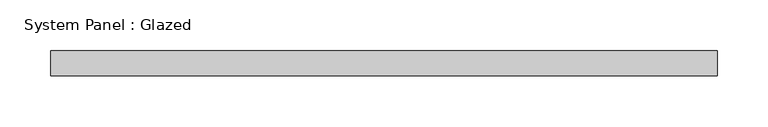
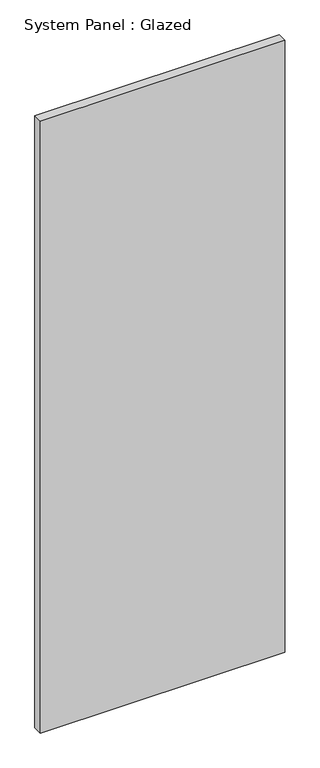
"""IFC4 building model written with IfcOpenShell, lengths in millimetres: plate geometry, System Panel : Glazed."""

from ifc_helpers import new_model, si_unit, origin, origin_with_axes, place, context, project, spatial, polyline, outline, extrude, source, transform, mapped, element, save


def system_panel_glazed_29a8ac8e(model_context):
    return source(origin(), model_context, "Body", "SweptSolid", [
        extrude(outline(polyline([(329.5, -49.5), (-329.5, -49.5), (-329.5, -24.5), (329.5, -24.5), (329.5, -49.5)])), origin_with_axes(), (0.0, 0.0, 1.0), 1743.3333333),
    ])


if __name__ == "__main__":
    model = new_model("IFC4")
    model_context = context("Model", 3, world=origin())
    ifc_project = project(units=[si_unit("LENGTHUNIT", "METRE", prefix="MILLI")], contexts=[model_context])
    site = spatial("IfcSite", under=ifc_project)
    building = spatial("IfcBuilding", under=site)
    placement = place(None, origin())
    system_panel_glazed_shape = system_panel_glazed_29a8ac8e(model_context)
    element("IfcPlate", 1, ObjectType="System Panel : Glazed", at=placement, inside=building, context=model_context, shape_type="MappedRepresentation", body=[
        mapped(system_panel_glazed_shape, transform((0.0, 0.0, 0.0), x_axis=(1.0, 0.0, 0.0), y_axis=(0.0, 1.0, 0.0), z_axis=(0.0, 0.0, 1.0))),
    ])
    save(model, "model.ifc")
